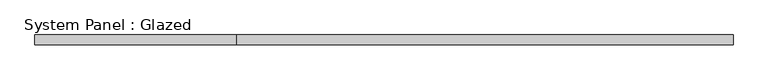
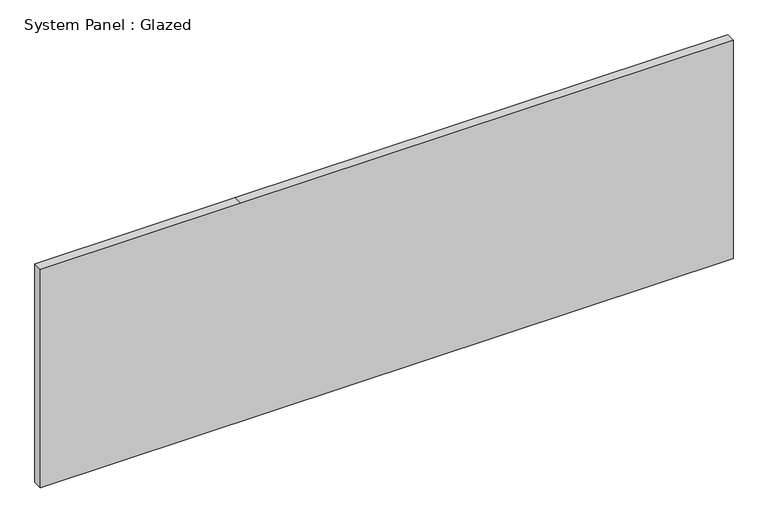
"""IFC4 building model written with IfcOpenShell, lengths in millimetres: plate geometry, System Panel : Glazed."""

import ifcopenshell
import ifcopenshell.guid

model = None  # the IFC model being written
_history = None  # IfcOwnerHistory: only IFC2X3 demands one
_inside = {}  # id of a spatial element -> (the spatial element, [elements in it])
_under = {}  # id of a project, library or spatial element -> (it, [spatial elements below it])
_declared = {}  # id of a project -> (the project, [libraries it declares])
_typed = {}  # id of a type object -> (the type object, [elements of that type])
_made_of = {}  # id of a material, layer set ... -> (it, [elements and type objects made of it])


def new_model(schema):
    """Start an empty IFC model of exactly this schema.

    Asked for "IFC4X3", IfcOpenShell would pick the latest addendum, in which some entities
    have other attributes; the version numbers below select the first issue.
    IFC2X3 requires an IfcOwnerHistory on every rooted entity: one is made here for all.
    """
    global model, _history
    if schema == "IFC4X3":
        model = ifcopenshell.file(schema_version=(4, 3, 0, 0))
    else:
        model = ifcopenshell.file(schema=schema)
    _inside.clear()
    _under.clear()
    _declared.clear()
    _typed.clear()
    _made_of.clear()
    _history = None
    if model.schema == "IFC2X3":
        org = make("IfcOrganization", Name="unknown")
        user = make(
            "IfcPersonAndOrganization",
            ThePerson=make("IfcPerson", FamilyName="unknown"),
            TheOrganization=org,
        )
        app = make(
            "IfcApplication",
            ApplicationDeveloper=org,
            Version="unknown",
            ApplicationFullName="unknown",
            ApplicationIdentifier="unknown",
        )
        _history = make(
            "IfcOwnerHistory",
            OwningUser=user,
            OwningApplication=app,
            ChangeAction="ADDED",
            CreationDate=0,
        )
    return model


def make(cls, **values):
    """One entity of the class cls with the attributes given. An attribute that is None is left unset."""
    return model.create_entity(
        cls, **{name: value for name, value in values.items() if value is not None}
    )


def rooted(cls, **values):
    """An entity with a GlobalId (a new one), such as an element, a storey or a relation."""
    return make(cls, GlobalId=ifcopenshell.guid.new(), OwnerHistory=_history, **values)


def si_unit(unit_type, name, prefix=None):
    """IfcSIUnit, for example si_unit("LENGTHUNIT", "METRE", prefix="MILLI")."""
    return make("IfcSIUnit", UnitType=unit_type, Prefix=prefix, Name=name)


def assignment(units):
    """IfcUnitAssignment: the units of a project."""
    return None if units is None else make("IfcUnitAssignment", Units=units)


def point(xyz):
    """IfcCartesianPoint."""
    return None if xyz is None else make("IfcCartesianPoint", Coordinates=xyz)


def direction(xyz):
    """IfcDirection."""
    return None if xyz is None else make("IfcDirection", DirectionRatios=xyz)


def frame(location, z_axis=None, x_axis=None):
    """IfcAxis2Placement3D, a coordinate frame: its origin and axes. An axis left out is left unset."""
    return make(
        "IfcAxis2Placement3D",
        Location=point(location),
        Axis=direction(z_axis),
        RefDirection=direction(x_axis),
    )


def origin():
    """The frame at (0, 0, 0) with its axes left unset."""
    return frame((0.0, 0.0, 0.0))


def place(relative_to, where):
    """IfcLocalPlacement: puts the frame where relative to a parent placement (None: the world)."""
    return make(
        "IfcLocalPlacement", PlacementRelTo=relative_to, RelativePlacement=where
    )


def context(
    kind, dimensions, precision=None, world=None, true_north=None, identifier=None
):
    """IfcGeometricRepresentationContext, for example the 3D "Model" context."""
    return make(
        "IfcGeometricRepresentationContext",
        ContextIdentifier=identifier,
        ContextType=kind,
        CoordinateSpaceDimension=dimensions,
        Precision=precision,
        WorldCoordinateSystem=world,
        TrueNorth=true_north,
    )


def project(units=None, contexts=None):
    """IfcProject with its units and contexts."""
    return rooted(
        "IfcProject",
        Name="project",
        RepresentationContexts=contexts,
        UnitsInContext=assignment(units),
    )


def spatial(cls, under=None, at=None, **own):
    """A site, building, storey or space (cls), placed at a placement, below another one or the project."""
    s = rooted(cls, ObjectPlacement=at, **own)
    if under is not None:
        _under.setdefault(under.id(), (under, []))[1].append(s)
    return s


def polyline(points):
    """IfcPolyline through the points."""
    return make("IfcPolyline", Points=[point(p) for p in points])


def outline(outer, holes=None, kind="AREA"):
    """IfcArbitraryClosedProfileDef: a profile drawn as a closed curve; with holes, ...WithVoids."""
    if holes is None:
        return make("IfcArbitraryClosedProfileDef", ProfileType=kind, OuterCurve=outer)
    return make(
        "IfcArbitraryProfileDefWithVoids",
        ProfileType=kind,
        OuterCurve=outer,
        InnerCurves=holes,
    )


def extrude(swept, where, along, depth):
    """IfcExtrudedAreaSolid: the profile swept, set in the frame where, extruded along a direction by depth."""
    return make(
        "IfcExtrudedAreaSolid",
        SweptArea=swept,
        Position=where,
        ExtrudedDirection=direction(along),
        Depth=depth,
    )


def shape(context_of_items, identifier, shape_type, items):
    """IfcShapeRepresentation: the items that make up one representation, for example the "Body"."""
    return make(
        "IfcShapeRepresentation",
        ContextOfItems=context_of_items,
        RepresentationIdentifier=identifier,
        RepresentationType=shape_type,
        Items=items,
    )


def source(mapping_origin, context_of_items, identifier, shape_type, items):
    """IfcRepresentationMap: a shape defined once, which mapped items show again and again."""
    return make(
        "IfcRepresentationMap",
        MappingOrigin=mapping_origin,
        MappedRepresentation=shape(context_of_items, identifier, shape_type, items),
    )


def transform(
    local_origin,
    x_axis=None,
    y_axis=None,
    z_axis=None,
    scale=None,
    scale2=None,
    scale3=None,
    uniform=True,
):
    """IfcCartesianTransformationOperator3D, or its non-uniform kind. x_axis, y_axis, z_axis: its Axis1, 2, 3."""
    if uniform:
        return make(
            "IfcCartesianTransformationOperator3D",
            Axis1=direction(x_axis),
            Axis2=direction(y_axis),
            LocalOrigin=point(local_origin),
            Scale=scale,
            Axis3=direction(z_axis),
        )
    return make(
        "IfcCartesianTransformationOperator3DnonUniform",
        Axis1=direction(x_axis),
        Axis2=direction(y_axis),
        LocalOrigin=point(local_origin),
        Scale=scale,
        Axis3=direction(z_axis),
        Scale2=scale2,
        Scale3=scale3,
    )


def mapped(mapping_source, mapping_target):
    """IfcMappedItem: shows the shape of a source again, moved by a transform."""
    return make(
        "IfcMappedItem", MappingSource=mapping_source, MappingTarget=mapping_target
    )


def made_of(thing, what):
    """Note that an element or type object is made of a material, layer set ...; save() writes the relation."""
    if what is not None:
        _made_of.setdefault(what.id(), (what, []))[1].append(thing)
    return thing


def element(
    cls,
    number,
    at=None,
    inside=None,
    cuts=None,
    type_object=None,
    material=None,
    context=None,
    identifier="Body",
    shape_type=None,
    held_by="IfcProductDefinitionShape",
    body=None,
    shapes=None,
    **own,
):
    """One element of the class cls, such as IfcWall. Its Tag is "e" and its number.

    at: its placement. inside: the storey or other place that contains it. cuts: it is an
    opening in that element (IfcRelVoidsElement). A single representation is given by context,
    identifier, shape_type and body (its items); several are given by shapes. held_by: the class
    of the entity that holds the representations. save() writes the other relations.
    """
    e = rooted(cls, Tag="e%d" % number, ObjectPlacement=at, **own)
    if body is not None:
        shapes = [shape(context, identifier, shape_type, body)]
    if shapes is not None:
        e.Representation = make(held_by, Representations=shapes)
    if inside is not None:
        _inside.setdefault(inside.id(), (inside, []))[1].append(e)
    if cuts is not None:
        rooted(
            "IfcRelVoidsElement", RelatingBuildingElement=cuts, RelatedOpeningElement=e
        )
    if type_object is not None:
        _typed.setdefault(type_object.id(), (type_object, []))[1].append(e)
    return made_of(e, material)


def aggregate(whole, parts):
    """IfcRelAggregates: a whole, such as a stair, and the parts it consists of."""
    return rooted("IfcRelAggregates", RelatingObject=whole, RelatedObjects=parts)


def save(model, path):
    """Write the relations noted so far, then the file.

    IfcRelAggregates (storeys below a building ...), IfcRelContainedInSpatialStructure (elements
    in a storey), IfcRelDefinesByType, IfcRelAssociatesMaterial and IfcRelDeclares: one each for
    every whole, place, type object, material and project.
    """
    for whole, parts in _under.values():
        aggregate(whole, parts)
    for where, things in _inside.values():
        rooted(
            "IfcRelContainedInSpatialStructure",
            RelatedElements=things,
            RelatingStructure=where,
        )
    for kind, things in _typed.values():
        rooted("IfcRelDefinesByType", RelatedObjects=things, RelatingType=kind)
    for what, things in _made_of.values():
        rooted("IfcRelAssociatesMaterial", RelatedObjects=things, RelatingMaterial=what)
    for by, libraries in _declared.values():
        rooted("IfcRelDeclares", RelatingContext=by, RelatedDefinitions=libraries)
    model.write(path)


def system_panel_glazed_9e4c5344(model_context):
    return source(origin(), model_context, "Body", "SweptSolid", [
        extrude(outline(polyline([(0.0, -914.4), (0.0, 914.4), (609.6, 914.4), (609.6, -385.4625496), (609.6, -914.4), (0.0, -914.4)])), frame((0.0, 19.05, 0.0), z_axis=(0.0, 1.0, 0.0), x_axis=(0.0, 0.0, 1.0)), (0.0, 0.0, 1.0), 25.4),
    ])


if __name__ == "__main__":
    model = new_model("IFC4")
    model_context = context("Model", 3, world=origin())
    ifc_project = project(units=[si_unit("LENGTHUNIT", "METRE", prefix="MILLI")], contexts=[model_context])
    site = spatial("IfcSite", under=ifc_project)
    building = spatial("IfcBuilding", under=site)
    placement = place(None, origin())
    system_panel_glazed_shape = system_panel_glazed_9e4c5344(model_context)
    element("IfcPlate", 1, ObjectType="System Panel : Glazed", at=placement, inside=building, context=model_context, shape_type="MappedRepresentation", body=[
        mapped(system_panel_glazed_shape, transform((0.0, 0.0, 0.0), x_axis=(1.0, 0.0, 0.0), y_axis=(0.0, 1.0, 0.0), z_axis=(0.0, 0.0, 1.0))),
    ])
    save(model, "model.ifc")
